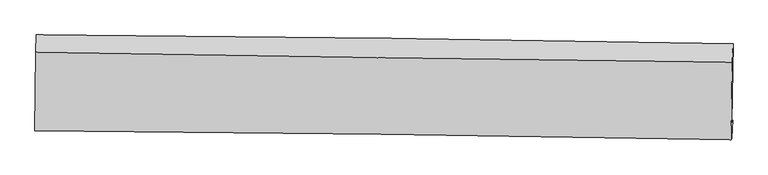
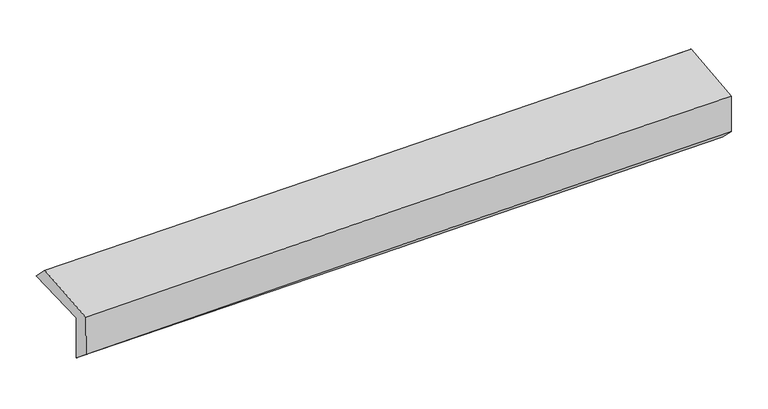
"""IFC4 building model written with IfcOpenShell, lengths in millimetres: proxy geometry."""

from ifc_helpers import new_model, si_unit, frame, origin, place, context, project, spatial, source, transform, mapped, element, save
from ifc_brep_helpers import plane_surface, spline_curve, spline_surface, advanced_brep


def generic_models_d39dd510(model_context):
    return source(origin(), model_context, "Body", "AdvancedBrep", [
        advanced_brep(
        [(-2998.0516569, -1755.9230865, 1958.962908), (-2990.2095972, -1097.665099, 1970.6797362), (2989.0913059, -1173.5281605, 2132.5801934), (2976.1216218, -1846.2926954, 2110.2714481), (-2989.3499706, -1739.6414525, 1553.7225857), (2985.0101098, -1829.6615385, 1696.331705), (-2994.4107688, -1911.1453, 1694.5078189), (2978.8250457, -1986.4431628, 1844.1311104), (-3002.2947234, -1921.0800039, 2064.4871896), (2971.1847585, -1996.1178184, 2204.4046491), (-2995.1282871, -1245.9598081, 2118.2839603), (2983.3604385, -1331.2512277, 2257.4975052)],
        [
            (0, 1),
            (1, 2, spline_curve(3, [(-2990.2095972, -1097.665099, 1970.6797362), (-1993.672609081, -1103.472166766, 1986.375100289), (-997.264863444, -1112.69496725, 2007.709270375), (995.835578475, -1137.978926853, 2061.669936493), (1992.528134055, -1154.043813598, 2094.302585003), (2989.0913059, -1173.5281605, 2132.5801934)], [4, 2, 4], [0.0, 9.806229621075545, 19.617808216655625])),
            (2, 3),
            (3, 0, spline_curve(3, [(2976.1216218, -1846.2926954, 2110.2714481), (1980.543201796, -1829.261047897, 2070.265262604), (984.770422741, -1813.212637802, 2037.651702369), (-1006.620881722, -1783.090506872, 1987.223580319), (-2002.239195846, -1769.015713483, 1969.400960841), (-2998.0516569, -1755.9230865, 1958.962908)], [4, 2, 4], [0.0, 9.81157859558008, 19.617808216655625])),
            (4, 0),
            (3, 5),
            (5, 4, spline_curve(3, [(2985.0101098, -1829.6615385, 1696.331705), (1989.190198335, -1813.081743047, 1667.571850507), (993.281131553, -1797.288340143, 1641.305269306), (-998.172325987, -1767.282502022, 1593.771614179), (-1993.7166191, -1753.069209284, 1572.501822244), (-2989.3499706, -1739.6414525, 1553.7225857)], [4, 2, 4], [0.0, 9.807184578799925, 19.60902257857974])),
            (6, 4),
            (5, 7),
            (7, 6, spline_curve(3, [(2978.8250457, -1986.4431628, 1844.1311104), (1983.185577555, -1967.48141426, 1818.613113373), (987.460447561, -1951.724880968, 1793.382186136), (-1003.618250777, -1926.629087029, 1743.508068298), (-1998.971725442, -1917.286332838, 1718.864565358), (-2994.4107688, -1911.1453, 1694.5078189)], [4, 2, 4], [0.0, 9.806113472313042, 19.606880949540685])),
            (8, 6),
            (7, 9),
            (9, 8, spline_curve(3, [(2971.1847585, -1996.1178184, 2204.4046491), (1975.435200828, -1977.286271347, 2183.740254986), (979.634724573, -1961.616503314, 2161.744727739), (-1011.525158453, -1936.607344861, 2115.104123648), (-2006.884509097, -1927.264508015, 2090.460497812), (-3002.2947234, -1921.0800039, 2064.4871896)], [4, 2, 4], [0.0, 9.805201314104579, 19.605057130404695])),
            (10, 8),
            (9, 11),
            (11, 10, spline_curve(3, [(2983.3604385, -1331.2512277, 2257.4975052), (1986.531739507, -1320.633981268, 2236.156502605), (989.77417474, -1308.215310846, 2213.88145469), (-1003.055323185, -1279.782874318, 2167.475921602), (-1999.127333482, -1263.771071269, 2143.346454383), (-2995.1282871, -1245.9598081, 2118.2839603)], [4, 2, 4], [0.0, 9.809362387245677, 19.61337700819626])),
            (1, 10),
            (11, 2),
        ],
        [
            spline_surface(3, 3, [[(-2998.0516569, -1755.9230865, 1958.962908), (-2002.239195853, -1769.015713643, 1969.400960975), (-1006.620881858, -1783.09050674, 1987.223580458), (984.770422877, -1813.212637934, 2037.65170223), (1980.543201832, -1829.261047807, 2070.265262759), (2976.1216218, -1846.2926954, 2110.2714481)], [(-2995.437637001, -1536.50375732, 1962.868517395), (-1999.383666891, -1547.167864668, 1975.059007403), (-1003.502209088, -1559.625326851, 1994.052143808), (988.458808088, -1588.134734255, 2045.65778027), (1984.538179286, -1604.188636447, 2078.277703556), (2980.444849849, -1622.037850433, 2117.707696535)], [(-2992.823617099, -1317.08442818, 1966.774126805), (-1996.528137925, -1325.320015732, 1980.717053844), (-1000.383536284, -1336.160147029, 2000.880707163), (992.147193333, -1363.056830642, 2053.663858315), (1988.533156692, -1379.116225085, 2086.290144347), (2984.768077851, -1397.783005467, 2125.143944965)], [(-2990.2095972, -1097.665099, 1970.6797362), (-1993.672608963, -1103.472166758, 1986.375100271), (-997.264863514, -1112.69496714, 2007.709270514), (995.835578545, -1137.978926963, 2061.669936355), (1992.528134146, -1154.043813725, 2094.302585144), (2989.0913059, -1173.5281605, 2132.5801934)]], [4, 4], [4, 2, 4], [0.0, 2.208862471081463], [0.0, 9.806229621075545, 19.617808216655625]),
            spline_surface(3, 3, [[(-2989.3499706, -1739.6414525, 1553.7225857), (-1993.716618978, -1753.069209414, 1572.501822131), (-998.172325884, -1767.282502024, 1593.771614086), (993.281131449, -1797.288340142, 1641.305269399), (1989.190198456, -1813.081742893, 1667.571850571), (2985.0101098, -1829.6615385, 1696.331705)], [(-2992.250532679, -1745.068663846, 1688.802693126), (-1996.557477916, -1758.384710836, 1704.801535071), (-1000.988511221, -1772.551836931, 1724.922269555), (990.444228579, -1802.596439408, 1773.420747022), (1986.307866228, -1818.474844555, 1801.802987984), (2982.047280447, -1835.205257491, 1834.311619384)], [(-2995.151094821, -1750.495875154, 1823.882800574), (-1999.398336916, -1763.70021222, 1837.101248034), (-1003.80469652, -1777.821171832, 1856.072924988), (987.607325747, -1807.904538668, 1905.536224608), (1983.42553406, -1823.867946145, 1936.034125346), (2979.084451153, -1840.748976409, 1972.291533716)], [(-2998.0516569, -1755.9230865, 1958.962908), (-2002.239195853, -1769.015713643, 1969.400960975), (-1006.620881858, -1783.09050674, 1987.223580458), (984.770422877, -1813.212637934, 2037.65170223), (1980.543201832, -1829.261047807, 2070.265262759), (2976.1216218, -1846.2926954, 2110.2714481)]], [4, 4], [4, 2, 4], [0.0, 1.2969473505837579], [0.0, 9.801837999779815, 19.60902257857974]),
            spline_surface(3, 3, [[(-2994.4107688, -1911.1453, 1694.5078189), (-1998.971725478, -1917.286332847, 1718.864565406), (-1003.6182507, -1926.629087117, 1743.508068432), (987.460447484, -1951.72488088, 1793.382186002), (1983.185577589, -1967.481414247, 1818.6131135), (2978.8250457, -1986.4431628, 1844.1311104)], [(-2992.723836087, -1853.977350822, 1647.579407828), (-1997.220023332, -1862.547291692, 1670.076984309), (-1001.802942424, -1873.513558772, 1693.59591698), (989.400675476, -1900.246033986, 1742.689880465), (1985.187117898, -1916.014857122, 1768.266025851), (2980.886733753, -1934.18262136, 1794.864641927)], [(-2991.036903312, -1796.809401678, 1600.650996772), (-1995.468321124, -1807.808250569, 1621.289403227), (-999.98763416, -1820.39803037, 1643.683765537), (991.340903457, -1848.767187036, 1691.997574937), (1987.188658147, -1864.548300017, 1717.918938221), (2982.948421747, -1881.92207994, 1745.598173473)], [(-2989.3499706, -1739.6414525, 1553.7225857), (-1993.716618978, -1753.069209414, 1572.501822131), (-998.172325884, -1767.282502024, 1593.771614086), (993.281131449, -1797.288340142, 1641.305269399), (1989.190198456, -1813.081742893, 1667.571850571), (2985.0101098, -1829.6615385, 1696.331705)]], [4, 4], [4, 2, 4], [0.0, 0.7144347948104066], [0.0, 9.800767477227643, 19.606880949540685]),
            spline_surface(3, 3, [[(-3002.2947234, -1921.0800039, 2064.4871896), (-2006.884509184, -1927.264508051, 2090.460497707), (-1011.525158353, -1936.607344902, 2115.104123626), (979.634724472, -1961.616503274, 2161.74472776), (1975.435200898, -1977.286271235, 2183.740255055), (2971.1847585, -1996.1178184, 2204.4046491)], [(-2999.666738517, -1917.768435953, 1941.160732686), (-2004.246914599, -1923.938449669, 1966.595186926), (-1008.889522458, -1933.28125895, 1991.238771894), (982.24329882, -1958.319295785, 2038.95721384), (1978.018659766, -1974.017985562, 2062.031207868), (2973.731520871, -1992.89293319, 2084.313469531)], [(-2997.038753683, -1914.456867947, 1817.834275814), (-2001.609320063, -1920.612391229, 1842.729876187), (-1006.253886594, -1929.955173069, 1867.373420164), (984.851873137, -1955.022088368, 1916.169699922), (1980.602118721, -1970.749699919, 1940.322160688), (2976.278283329, -1989.66804801, 1964.222289969)], [(-2994.4107688, -1911.1453, 1694.5078189), (-1998.971725478, -1917.286332847, 1718.864565406), (-1003.6182507, -1926.629087117, 1743.508068432), (987.460447484, -1951.72488088, 1793.382186002), (1983.185577589, -1967.481414247, 1818.6131135), (2978.8250457, -1986.4431628, 1844.1311104)]], [4, 4], [4, 2, 4], [0.0, 1.2145517291879735], [0.0, 9.799855816300116, 19.605057130404695]),
            spline_surface(3, 3, [[(-2995.1282871, -1245.9598081, 2118.2839603), (-1999.127333513, -1263.771071357, 2143.346454492), (-1003.055323054, -1279.782874179, 2167.475921578), (989.77417461, -1308.215310985, 2213.881454714), (1986.531739345, -1320.633981407, 2236.156502553), (2983.3604385, -1331.2512277, 2257.4975052)], [(-2997.517099214, -1470.999873344, 2100.351703432), (-2001.713058751, -1484.935550232, 2125.717802262), (-1005.878601488, -1498.72436445, 2150.018655577), (986.394357896, -1526.015708445, 2196.502545712), (1982.8328932, -1539.518078026, 2218.684420042), (2979.301878504, -1552.87342461, 2239.799886488)], [(-2999.905911286, -1696.039938656, 2082.419446468), (-2004.298783946, -1706.100029175, 2108.089149937), (-1008.701879919, -1717.665854631, 2132.561389628), (983.014541186, -1743.816105814, 2179.123636762), (1979.134047043, -1758.402174615, 2201.212337567), (2975.243318496, -1774.49562149, 2222.102267812)], [(-3002.2947234, -1921.0800039, 2064.4871896), (-2006.884509184, -1927.264508051, 2090.460497707), (-1011.525158353, -1936.607344902, 2115.104123626), (979.634724472, -1961.616503274, 2161.74472776), (1975.435200898, -1977.286271235, 2183.740255055), (2971.1847585, -1996.1178184, 2204.4046491)]], [4, 4], [4, 2, 4], [0.0, 2.1563597856161896], [0.0, 9.804014620950582, 19.61337700819626]),
            spline_surface(3, 3, [[(-2990.2095972, -1097.665099, 1970.6797362), (-1993.672608963, -1103.472166758, 1986.375100271), (-997.264863514, -1112.69496714, 2007.709270514), (995.835578545, -1137.978926963, 2061.669936355), (1992.528134146, -1154.043813725, 2094.302585144), (2989.0913059, -1173.5281605, 2132.5801934)], [(-2991.849160501, -1147.096668715, 2019.881144233), (-1995.490850481, -1156.905134972, 2038.69888501), (-999.195016684, -1168.390936147, 2060.964820879), (993.815110577, -1194.724388298, 2112.407109151), (1990.529335889, -1209.5738696, 2141.587224282), (2987.181016777, -1226.102516215, 2174.219297335)], [(-2993.488723799, -1196.528238385, 2069.082552267), (-1997.309091995, -1210.338103142, 2091.022669752), (-1001.125169885, -1224.086905171, 2114.220371213), (991.794642578, -1251.469849649, 2163.144281917), (1988.530537602, -1265.103925531, 2188.871863415), (2985.270727623, -1278.676871985, 2215.858401265)], [(-2995.1282871, -1245.9598081, 2118.2839603), (-1999.127333513, -1263.771071357, 2143.346454492), (-1003.055323054, -1279.782874179, 2167.475921578), (989.77417461, -1308.215310985, 2213.881454714), (1986.531739345, -1320.633981407, 2236.156502553), (2983.3604385, -1331.2512277, 2257.4975052)]], [4, 4], [4, 2, 4], [0.0, 0.7539815327352578], [0.0, 9.809252942526706, 19.623856508679985]),
            plane_surface(frame((2980.59888, -1693.8824339, 2040.8694352), z_axis=(0.9995873410674104, -0.019955394399746737, 0.020662279935556308), x_axis=(0.021194501946463055, 0.026837932209690777, -0.9994150881800562))),
            plane_surface(frame((-2994.9075007, -1611.9024583, 1893.4406998), z_axis=(-0.9997045840640224, 0.012283148574096476, -0.020973050862634148), x_axis=(-0.011910621148360865, -0.9997706993382832, -0.01779566937489161))),
        ],
        [
            (0, [[1, 2, 3, 4]]),
            (1, [[5, -4, 6, 7]]),
            (2, [[8, -7, 9, 10]]),
            (3, [[11, -10, 12, 13]]),
            (4, [[14, -13, 15, 16]]),
            (5, [[17, -16, 18, -2]]),
            (6, [[-12, -9, -6, -3, -18, -15]]),
            (7, [[-1, -5, -8, -11, -14, -17]]),
        ],
    ),
    ])


if __name__ == "__main__":
    model = new_model("IFC4")
    model_context = context("Model", 3, world=origin())
    ifc_project = project(units=[si_unit("LENGTHUNIT", "METRE", prefix="MILLI")], contexts=[model_context])
    site = spatial("IfcSite", under=ifc_project)
    building = spatial("IfcBuilding", under=site)
    placement = place(None, origin())
    generic_models_shape = generic_models_d39dd510(model_context)
    element("IfcBuildingElementProxy", 1, Name="Generic Models", at=placement, inside=building, context=model_context, shape_type="MappedRepresentation", body=[
        mapped(generic_models_shape, transform((0.0, 0.0, 0.0), x_axis=(1.0, 0.0, 0.0), y_axis=(0.0, 1.0, 0.0), z_axis=(0.0, 0.0, 1.0))),
    ])
    save(model, "model.ifc")
